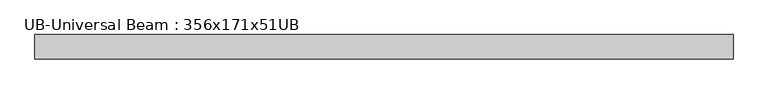
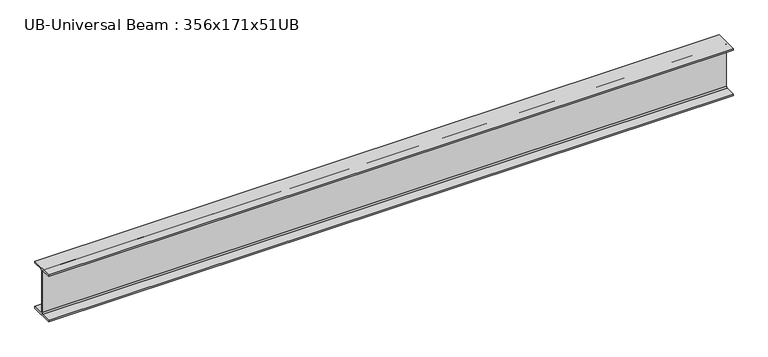
"""IFC4 building model written with IfcOpenShell, lengths in millimetres: beam geometry, UB-Universal Beam : 356x171x51UB."""

from ifc_helpers import new_model, si_unit, point, frame, frame_2d, origin, place, context, project, spatial, polyline, circle_curve, trimmed, segment, composite_curve, outline, extrude, source, transform, mapped, element, save


def ub_universal_beam_356x171x51ub_46913c2d(model_context):
    return source(origin(), model_context, "Body", "SweptSolid", [
        extrude(outline(composite_curve([segment(polyline([(85.75, -166.0), (85.75, -177.5), (-85.75, -177.5), (-85.75, -166.0), (-13.9, -166.0)]), True, "CONTINUOUS"), segment(trimmed(circle_curve(frame_2d((-13.9, -155.8)), 10.2), [point((-13.9, -166.0))], [point((-3.7, -155.8))], True, "CARTESIAN"), True, "CONTINUOUS"), segment(polyline([(-3.7, -155.8), (-3.7, 155.8)]), True, "CONTINUOUS"), segment(trimmed(circle_curve(frame_2d((-13.9, 155.8)), 10.2), [point((-3.7, 155.8))], [point((-13.9, 166.0))], True, "CARTESIAN"), True, "CONTINUOUS"), segment(polyline([(-13.9, 166.0), (-85.75, 166.0), (-85.75, 177.5), (85.75, 177.5), (85.75, 166.0), (13.9, 166.0)]), True, "CONTINUOUS"), segment(trimmed(circle_curve(frame_2d((13.9, 155.8)), 10.2), [point((13.9, 166.0))], [point((3.7, 155.8))], True, "CARTESIAN"), True, "CONTINUOUS"), segment(polyline([(3.7, 155.8), (3.7, -155.8)]), True, "CONTINUOUS"), segment(trimmed(circle_curve(frame_2d((13.9, -155.8)), 10.2), [point((3.7, -155.8))], [point((13.9, -166.0))], True, "CARTESIAN"), True, "CONTINUOUS"), segment(polyline([(13.9, -166.0), (85.75, -166.0)]), True, "CONTINUOUS")], self_intersect=False)), frame((-2419.9117034, 0.0, 0.0), z_axis=(1.0, 0.0, 0.0), x_axis=(0.0, 1.0, 0.0)), (0.0, 0.0, 1.0), 4889.6520374),
    ])


if __name__ == "__main__":
    model = new_model("IFC4")
    model_context = context("Model", 3, world=origin())
    ifc_project = project(units=[si_unit("LENGTHUNIT", "METRE", prefix="MILLI")], contexts=[model_context])
    site = spatial("IfcSite", under=ifc_project)
    building = spatial("IfcBuilding", under=site)
    placement = place(None, origin())
    ub_universal_beam_356x171x51ub_shape = ub_universal_beam_356x171x51ub_46913c2d(model_context)
    element("IfcBeam", 1, ObjectType="UB-Universal Beam : 356x171x51UB", at=placement, inside=building, context=model_context, shape_type="MappedRepresentation", body=[
        mapped(ub_universal_beam_356x171x51ub_shape, transform((0.0, 0.0, 0.0), x_axis=(1.0, 0.0, 0.0), y_axis=(0.0, 1.0, 0.0), z_axis=(0.0, 0.0, 1.0))),
    ])
    save(model, "model.ifc")
